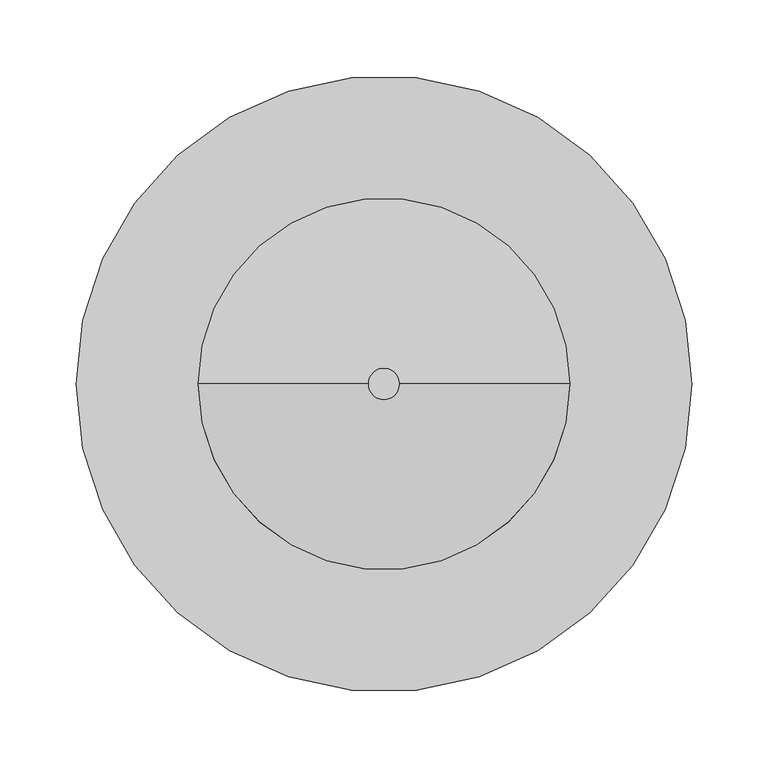
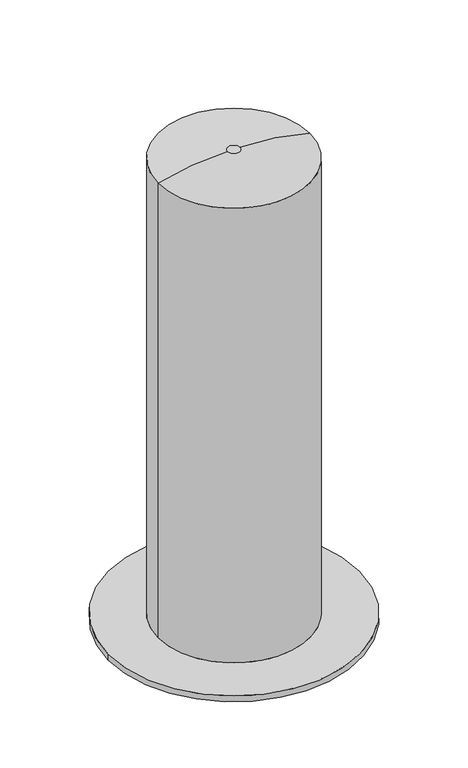
"""IFC4 building model written with IfcOpenShell, lengths in millimetres: furniture geometry."""

from ifc_helpers import new_model, si_unit, point, frame, origin, origin_with_axes, place, context, project, spatial, circle_curve, ellipse_curve, trimmed, source, transform, mapped, element, save
from ifc_brep_helpers import plane_surface, cylinder_surface, revolved_surface, advanced_brep


def furniture_fff1de7d(model_context):
    return source(origin(), model_context, "Body", "AdvancedBrep", [
        advanced_brep(
        [(-202.5030979, 0.0, 0.0), (202.5030979, 0.0, 0.0), (122.1427179, 0.0, 784.9998145), (-122.1427179, 0.0, 784.9998145), (-122.1427179, 0.0, 10.0), (122.1427179, 0.0, 10.0), (10.4309225, 0.0, 800.0819365), (-10.4309225, 0.0, 800.0819365), (-202.5030979, 0.0, 10.0), (202.5030979, 0.0, 10.0)],
        [
            (0, 1, circle_curve(frame((0.0, 0.0, 0.0), z_axis=(0.0, 0.0, -1.0), x_axis=(1.0, 0.0, 0.0)), 202.5030979)),
            (1, 0, circle_curve(frame((0.0, 0.0, 0.0), z_axis=(0.0, 0.0, -1.0), x_axis=(1.0, 0.0, 0.0)), 202.5030979)),
            (2, 3, circle_curve(frame((0.0, 0.0, 784.9998145), z_axis=(0.0, 0.0, -1.0), x_axis=(1.0, 0.0, 0.0)), 122.1427179)),
            (3, 4),
            (4, 5, circle_curve(frame((0.0, 0.0, 10.0), z_axis=(0.0, 0.0, 1.0), x_axis=(1.0, 0.0, 0.0)), 122.1427179)),
            (5, 2),
            (3, 2, circle_curve(frame((0.0, 0.0, 784.9998145), z_axis=(0.0, 0.0, -1.0), x_axis=(1.0, 0.0, 0.0)), 122.1427179)),
            (5, 4, circle_curve(frame((0.0, 0.0, 10.0), z_axis=(0.0, 0.0, 1.0), x_axis=(1.0, 0.0, 0.0)), 122.1427179)),
            (6, 7, circle_curve(frame((0.0, 0.0, 800.0819365), z_axis=(0.0, 0.0, -1.0), x_axis=(-1.0, 0.0, 0.0)), 10.4309225)),
            (7, 3, circle_curve(frame((-10.4309225, 0.0, 378.8217321), z_axis=(0.0, -1.0, 0.0), x_axis=(1.0, 0.0, 0.0)), 421.2602044)),
            (2, 6, circle_curve(frame((10.4309225, 0.0, 378.8217321), z_axis=(0.0, -1.0, 0.0), x_axis=(-1.0, 0.0, 0.0)), 421.2602044)),
            (7, 6, circle_curve(frame((0.0, 0.0, 800.0819365), z_axis=(0.0, 0.0, -1.0), x_axis=(1.0, 0.0, 0.0)), 10.4309225)),
            (8, 9, circle_curve(frame((0.0, 0.0, 10.0), z_axis=(0.0, 0.0, 1.0), x_axis=(1.0, 0.0, 0.0)), 202.5030979)),
            (9, 8, circle_curve(frame((0.0, 0.0, 10.0), z_axis=(0.0, 0.0, 1.0), x_axis=(1.0, 0.0, 0.0)), 202.5030979)),
            (8, 0),
            (1, 9),
        ],
        [
            plane_surface(frame((122.1427179, 0.0, 0.0), z_axis=(0.0, 0.0, -1.0), x_axis=(0.0, -1.0, 0.0))),
            cylinder_surface(origin_with_axes(), 122.1427179),
            revolved_surface(trimmed(ellipse_curve(frame((-10.4309225, 0.0, 378.8217321), z_axis=(0.0, 1.0, 0.0), x_axis=(1.0, 0.0, 0.0)), 421.2602044, 421.2602044), [point((-122.1427179, 0.0, 784.9998145))], [point((-10.4309225, 0.0, 800.0819365))], True, "CARTESIAN"), (0.0, 0.0, 0.0), (0.0, 0.0, 1.0)),
            revolved_surface(trimmed(ellipse_curve(frame((10.4309225, 0.0, 378.8217321), z_axis=(0.0, -1.0, 0.0), x_axis=(-1.0, 0.0, 0.0)), 421.2602044, 421.2602044), [point((122.1427179, 0.0, 784.9998145))], [point((10.4309225, 0.0, 800.0819365))], True, "CARTESIAN"), (0.0, 0.0, 0.0), (0.0, 0.0, 1.0)),
            plane_surface(frame((0.0, 0.0, 800.0819365), z_axis=(0.0, 0.0, 1.0), x_axis=(1.0, 0.0, 0.0))),
            plane_surface(frame((202.5030979, 0.0, 10.0), z_axis=(0.0, 0.0, 1.0), x_axis=(0.0, 1.0, 0.0))),
            cylinder_surface(origin_with_axes(), 202.5030979),
        ],
        [
            (0, [[1, 2]]),
            (1, [[3, 4, 5, 6]]),
            (1, [[7, -6, 8, -4]]),
            (2, [[9, 10, -3, 11]]),
            (3, [[-10, 12, -11, -7]]),
            (4, [[-9, -12]]),
            (5, [[13, 14], [-5, -8]]),
            (6, [[-13, 15, -2, 16]]),
            (6, [[-14, -16, -1, -15]]),
        ],
    ),
    ])


if __name__ == "__main__":
    model = new_model("IFC4")
    model_context = context("Model", 3, world=origin())
    ifc_project = project(units=[si_unit("LENGTHUNIT", "METRE", prefix="MILLI")], contexts=[model_context])
    site = spatial("IfcSite", under=ifc_project)
    building = spatial("IfcBuilding", under=site)
    placement = place(None, origin())
    furniture_shape = furniture_fff1de7d(model_context)
    element("IfcFurniture", 1, at=placement, inside=building, context=model_context, shape_type="MappedRepresentation", body=[
        mapped(furniture_shape, transform((0.0, 0.0, 0.0), x_axis=(1.0, 0.0, 0.0), y_axis=(0.0, 1.0, 0.0), z_axis=(0.0, 0.0, 1.0))),
    ])
    save(model, "model.ifc")
